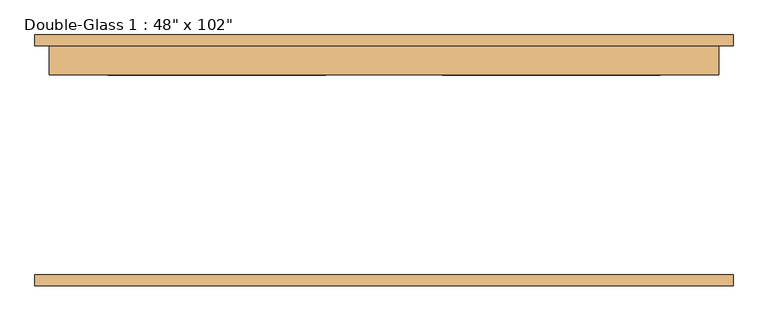
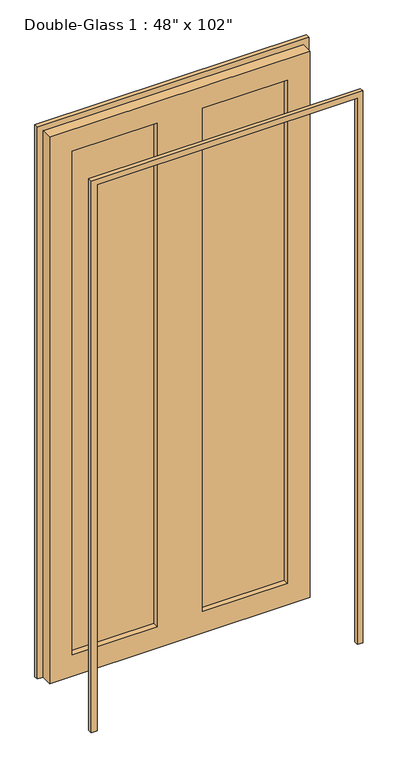
"""IFC4 building model written with IfcOpenShell, lengths in millimetres: door geometry."""

from ifc_helpers import new_model, si_unit, frame, origin, place, context, project, spatial, polyline, outline, extrude, source, transform, mapped, element, save


def door_55ef338c(model_context):
    return source(origin(), model_context, "Body", "SweptSolid", [
        extrude(outline(polyline([(0.0, 609.6), (2616.2, 609.6), (2616.2, -609.6), (0.0, -609.6), (0.0, -584.2), (2590.8, -584.2), (2590.8, 584.2), (0.0, 584.2), (0.0, 609.6)])), frame((0.0, -216.66875, 0.0), z_axis=(0.0, 1.0, 0.0), x_axis=(0.0, 0.0, 1.0)), (0.0, 0.0, 1.0), 19.05),
        extrude(outline(polyline([(2590.8, 584.2), (0.0, 584.2), (0.0, 609.6), (2616.2, 609.6), (2616.2, -609.6), (0.0, -609.6), (0.0, -584.2), (2590.8, -584.2), (2590.8, 584.2)])), frame((0.0, 202.38125, 0.0), z_axis=(0.0, 1.0, 0.0), x_axis=(0.0, 0.0, 1.0)), (0.0, 0.0, 1.0), 19.05),
        extrude(outline(polyline([(482.6, 176.98125), (101.6, 176.98125), (101.6, 184.125), (482.6, 184.125), (482.6, 176.98125)])), frame((0.0, 0.0, 101.6), z_axis=(0.0, 0.0, 1.0), x_axis=(1.0, 0.0, 0.0)), (0.0, 0.0, 1.0), 2387.6),
        extrude(outline(polyline([(-101.6, 176.98125), (-482.6, 176.98125), (-482.6, 184.125), (-101.6, 184.125), (-101.6, 176.98125)])), frame((0.0, 0.0, 101.6), z_axis=(0.0, 0.0, 1.0), x_axis=(1.0, 0.0, 0.0)), (0.0, 0.0, 1.0), 2387.6),
        extrude(outline(polyline([(2590.8, 584.2), (2590.8, -584.2), (0.0, -584.2), (0.0, 584.2), (2590.8, 584.2)]), holes=[polyline([(2489.2, -101.6), (101.6, -101.6), (101.6, -482.6), (2489.2, -482.6), (2489.2, -101.6)]), polyline([(2489.2, 482.6), (101.6, 482.6), (101.6, 101.6), (2489.2, 101.6), (2489.2, 482.6)])]), frame((0.0, 151.58125, 0.0), z_axis=(0.0, 1.0, 0.0), x_axis=(0.0, 0.0, 1.0)), (0.0, 0.0, 1.0), 50.8),
    ])


if __name__ == "__main__":
    model = new_model("IFC4")
    model_context = context("Model", 3, world=origin())
    ifc_project = project(units=[si_unit("LENGTHUNIT", "METRE", prefix="MILLI")], contexts=[model_context])
    site = spatial("IfcSite", under=ifc_project)
    building = spatial("IfcBuilding", under=site)
    placement = place(None, origin())
    door_shape = door_55ef338c(model_context)
    element("IfcDoor", 1, ObjectType="Double-Glass 1 : 48\" x 102\"", at=placement, inside=building, context=model_context, shape_type="MappedRepresentation", body=[
        mapped(door_shape, transform((0.0, 0.0, 0.0), x_axis=(1.0, 0.0, 0.0), y_axis=(0.0, 1.0, 0.0), z_axis=(0.0, 0.0, 1.0))),
    ])
    save(model, "model.ifc")
